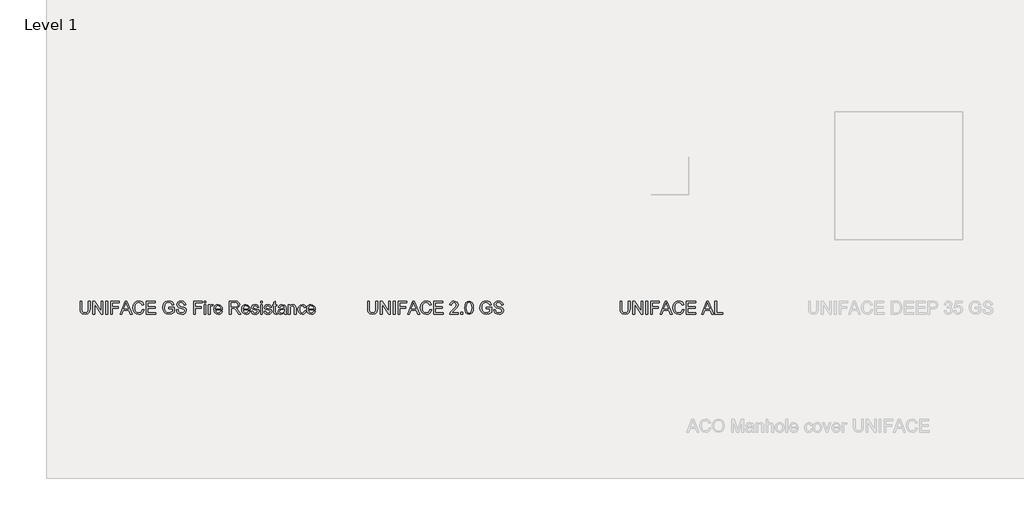
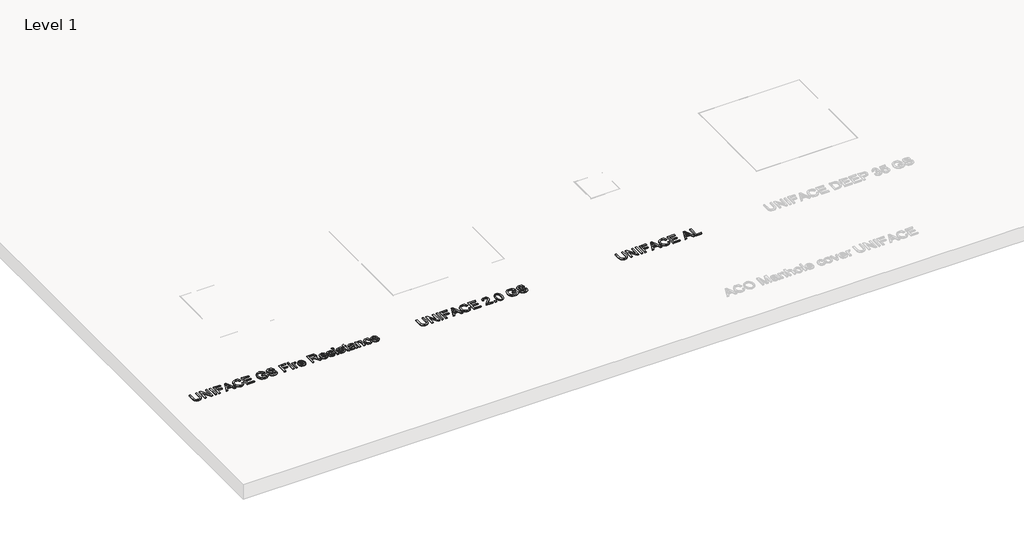
# One storey, part 3 of 9: 3 proxies.
"""IFC4 building model written with IfcOpenShell, lengths in millimetres."""

from ifc_helpers import new_model, si_unit, origin, origin_with_axes, place, context, project, spatial, polyline, outline, extrude, element, save

model = new_model("IFC4")

# Units and contexts
model_context = context("Model", 3, world=origin())
ifc_project = project(units=[si_unit("LENGTHUNIT", "METRE", prefix="MILLI")], contexts=[model_context])

# Site, building, storey
site = spatial("IfcSite", under=ifc_project)
building = spatial("IfcBuilding", under=site)
storey = spatial("IfcBuildingStorey", under=building, Name="Level 1", Elevation=0.0)

# Proxies
placement = place(None, origin())
element("IfcBuildingElementProxy", 1, Name="100mm ACO", ObjectType="100mm ACO", at=placement, inside=storey, context=model_context, shape_type="SweptSolid", body=[
    extrude(outline(polyline([(2099.7357905, -15767.3956492), (2098.8917656, -15781.7586247), (2094.4097023, -15795.3212318), (2082.5933536, -15806.9338503), (2060.7942276, -15811.5759873), (2039.3443533, -15807.4577279), (2027.3970352, -15796.8055515), (2022.5511681, -15783.1992879), (2021.503413, -15767.3956492), (2021.503413, -15709.1288264), (2034.5421426, -15709.1288264), (2034.5421426, -15767.7449008), (2035.8372842, -15783.5048831), (2042.6622443, -15795.2630232), (2049.6982105, -15799.1157058), (2059.7464725, -15800.3999334), (2077.2818176, -15796.3107783), (2084.9216982, -15785.3821109), (2086.6970609, -15767.7449008), (2086.6970609, -15709.1288264), (2099.7357905, -15709.1288264), (2099.7357905, -15767.3956492)])), origin_with_axes(), (0.0, 0.0, 1.0), 10.0),
    extrude(outline(polyline([(2200.3202758, -15809.7133117), (2186.3502084, -15809.7133117), (2135.3885667, -15731.0152653), (2135.3885667, -15809.7133117), (2122.0878983, -15809.7133117), (2122.0878983, -15709.1288264), (2136.08707, -15709.1288264), (2187.0196075, -15787.7686641), (2187.0196075, -15709.1288264), (2200.3202758, -15709.1288264), (2200.3202758, -15809.7133117)])), origin_with_axes(), (0.0, 0.0, 1.0), 10.0),
    extrude(outline(polyline([(2237.5737889, -15809.7133117), (2224.5350593, -15809.7133117), (2224.5350593, -15709.1288264), (2237.5737889, -15709.1288264), (2237.5737889, -15809.7133117)])), origin_with_axes(), (0.0, 0.0, 1.0), 10.0),
    extrude(outline(polyline([(2328.8448959, -15720.3048803), (2274.827302, -15720.3048803), (2274.827302, -15751.9703664), (2321.3941933, -15751.9703664), (2321.3941933, -15763.1464203), (2274.827302, -15763.1464203), (2274.827302, -15809.7133117), (2261.7885724, -15809.7133117), (2261.7885724, -15709.1288264), (2328.8448959, -15709.1288264), (2328.8448959, -15720.3048803)])), origin_with_axes(), (0.0, 0.0, 1.0), 10.0),
    extrude(outline(polyline([(2429.8950502, -15809.7133117), (2416.0122957, -15809.7133117), (2403.9631125, -15779.9105012), (2361.267094, -15779.9105012), (2349.6835798, -15809.7133117), (2335.8299296, -15809.7133117), (2374.9170141, -15709.1288264), (2389.1781245, -15709.1288264), (2429.8950502, -15809.7133117)]), holes=[polyline([(2399.4228406, -15768.7344473), (2384.9143435, -15731.8592902), (2381.9311521, -15720.1302544), (2377.2453586, -15738.8152196), (2365.6327401, -15768.7344473), (2399.4228406, -15768.7344473)])]), origin_with_axes(), (0.0, 0.0, 1.0), 10.0),
    extrude(outline(polyline([(2524.4258396, -15777.6985739), (2518.4776468, -15792.6108932), (2509.3061521, -15803.1793947), (2497.449785, -15809.4768392), (2483.4469752, -15811.5759873), (2462.4191133, -15807.6978384), (2447.9979292, -15796.0633916), (2439.6595452, -15778.9718873), (2436.8800839, -15758.7225656), (2440.1434043, -15737.2108447), (2449.9333656, -15720.9306229), (2464.852961, -15710.6822687), (2483.5051838, -15707.2661507), (2496.8968031, -15709.0888079), (2508.2001884, -15714.5567796), (2516.9205664, -15723.5390964), (2522.5631639, -15735.9047889), (2509.5244344, -15738.9316368), (2499.6144178, -15723.5791148), (2483.0104106, -15718.4422046), (2468.7056437, -15721.1670954), (2458.3299582, -15729.3417676), (2452.0215996, -15742.1003683), (2449.9188134, -15758.5770441), (2452.1452929, -15777.047365), (2458.8247314, -15790.0824565), (2469.0839997, -15797.8205642), (2482.0499685, -15800.3999334), (2492.6803166, -15798.7737302), (2501.1132896, -15793.8951208), (2507.3488874, -15785.7495528), (2511.38711, -15774.3224742), (2524.4258396, -15777.6985739)])), origin_with_axes(), (0.0, 0.0, 1.0), 10.0),
    extrude(outline(polyline([(2615.6969466, -15809.7133117), (2541.1899205, -15809.7133117), (2541.1899205, -15709.1288264), (2613.834271, -15709.1288264), (2613.834271, -15720.3048803), (2554.2286501, -15720.3048803), (2554.2286501, -15751.9703664), (2610.1089197, -15751.9703664), (2610.1089197, -15763.1464203), (2554.2286501, -15763.1464203), (2554.2286501, -15798.5372577), (2615.6969466, -15798.5372577), (2615.6969466, -15809.7133117)])), origin_with_axes(), (0.0, 0.0, 1.0), 10.0),
    extrude(outline(polyline([(2733.0455129, -15809.7133117), (2665.9891893, -15809.7133117), (2671.9846766, -15794.0260901), (2694.1330543, -15772.2851727), (2712.0030988, -15754.8516928), (2718.0058622, -15745.771149), (2720.0067833, -15736.6323966), (2714.5497257, -15723.593667), (2700.7688363, -15718.4422046), (2686.6532473, -15723.5791148), (2682.3603621, -15729.9857004), (2680.8905945, -15738.9316368), (2667.851865, -15737.5346301), (2671.0096823, -15725.3617536), (2678.0965811, -15716.4340074), (2688.3704015, -15710.9551216), (2701.0889837, -15709.1288264), (2714.5242594, -15711.2279745), (2724.619816, -15717.5254189), (2730.9390886, -15726.7915027), (2733.0455129, -15737.7965688), (2731.2847023, -15747.7575179), (2726.0022705, -15757.8494364), (2698.4113874, -15785.5276325), (2682.7532702, -15800.3999334), (2733.0455129, -15800.3999334), (2733.0455129, -15809.7133117)])), origin_with_axes(), (0.0, 0.0, 1.0), 10.0),
    extrude(outline(polyline([(2768.4363503, -15809.7133117), (2753.5349451, -15809.7133117), (2753.5349451, -15794.8119064), (2768.4363503, -15794.8119064), (2768.4363503, -15809.7133117)])), origin_with_axes(), (0.0, 0.0, 1.0), 10.0),
    extrude(outline(polyline([(2818.6994886, -15709.1288264), (2833.3807925, -15712.3339382), (2843.8674382, -15721.9492736), (2850.1594256, -15737.9748327), (2852.2567547, -15760.4106155), (2850.0884838, -15783.0137479), (2843.5836712, -15798.9592702), (2833.0260838, -15808.421808), (2818.6994886, -15811.5759873), (2804.043651, -15808.3781516), (2793.5751955, -15798.7846444), (2787.2941223, -15782.7954656), (2785.2004312, -15760.4106155), (2787.368702, -15737.811121), (2793.8735147, -15721.8183042), (2804.4165499, -15712.3011958), (2818.6994886, -15709.1288264)]), holes=[polyline([(2818.7285929, -15802.2626091), (2827.6199588, -15799.8142092), (2834.0374585, -15792.4690097), (2837.9228835, -15779.5576115), (2839.2180251, -15760.4106155), (2836.9478892, -15736.0503104), (2830.0938249, -15722.8078507), (2818.5830714, -15718.4422046), (2809.7098958, -15720.9342609), (2803.3469666, -15728.4104298), (2799.5161122, -15741.3945888), (2798.2391607, -15760.4106155), (2800.5529532, -15784.6108468), (2807.4070175, -15797.896963), (2818.7285929, -15802.2626091)])]), origin_with_axes(), (0.0, 0.0, 1.0), 10.0),
    extrude(outline(polyline([(2995.6827801, -15796.2962261), (2976.1610661, -15807.756047), (2954.9076458, -15811.5759873), (2934.4072995, -15808.039814), (2918.3089797, -15797.4312941), (2907.8859997, -15780.9582563), (2904.411673, -15759.8285293), (2910.0724608, -15733.168984), (2917.0756847, -15722.2184885), (2926.7637809, -15714.0474542), (2939.0239702, -15708.9614766), (2953.7434736, -15707.2661507), (2968.666707, -15709.1506546), (2980.3157059, -15714.8041662), (2988.6977464, -15724.2194096), (2993.8201044, -15737.3891085), (2980.7813748, -15740.7943125), (2977.001453, -15731.0334555), (2971.0750884, -15724.0447837), (2963.0022812, -15719.8428494), (2952.7830314, -15718.4422046), (2937.4341475, -15721.2653224), (2926.3708727, -15729.7346758), (2919.6805201, -15742.7734054), (2917.4504026, -15759.3046518), (2921.8597051, -15782.0496678), (2934.9420912, -15795.7577964), (2953.8016822, -15800.3999334), (2968.7540199, -15797.5768156), (2982.6440505, -15789.1074622), (2982.6440505, -15768.7344473), (2952.84124, -15768.7344473), (2952.84124, -15757.5583934), (2995.6827801, -15757.5583934), (2995.6827801, -15796.2962261)])), origin_with_axes(), (0.0, 0.0, 1.0), 10.0),
    extrude(outline(polyline([(3073.9151575, -15738.9316368), (3071.8924082, -15729.9857004), (3067.3957928, -15723.5791148), (3060.4253112, -15719.7264322), (3050.9809636, -15718.4422046), (3035.2646377, -15722.4440468), (3030.7243658, -15727.3590367), (3029.2109419, -15734.1003218), (3033.7075573, -15744.2140686), (3051.9996143, -15750.5442553), (3071.9506168, -15756.0595215), (3085.1785244, -15765.0382003), (3089.3040599, -15772.1614794), (3090.6792384, -15781.3657166), (3088.1580778, -15793.2730162), (3080.594596, -15802.9756646), (3068.9783395, -15809.4259066), (3054.2988546, -15811.5759873), (3036.2105277, -15809.1894341), (3023.3318718, -15802.0297746), (3015.4737089, -15791.072003), (3012.446861, -15777.2911136), (3025.4855905, -15776.1851499), (3028.1304445, -15787.1247313), (3034.3769564, -15794.6227284), (3043.2646841, -15798.9556322), (3053.8331857, -15800.3999334), (3071.0629355, -15795.6413792), (3075.9961155, -15790.035162), (3077.6405089, -15782.733619), (3075.9415449, -15775.3629532), (3070.8446532, -15770.3060799), (3047.4302381, -15762.8117208), (3033.1363853, -15758.4460747), (3023.4919455, -15752.5379004), (3018.0021456, -15744.8652774), (3016.1722123, -15735.2062855), (3018.4678145, -15724.1466488), (3025.3546212, -15715.1825222), (3036.1996136, -15709.2452436), (3050.3697731, -15707.2661507), (3065.0165157, -15709.2597957), (3076.4763366, -15715.2407308), (3084.0289043, -15724.8888086), (3086.9538871, -15737.8838818), (3073.9151575, -15738.9316368)])), origin_with_axes(), (0.0, 0.0, 1.0), 10.0),
])
element("IfcBuildingElementProxy", 2, Name="100mm ACO", ObjectType="100mm ACO", at=placement, inside=storey, context=model_context, shape_type="SweptSolid", body=[
    extrude(outline(polyline([(4084.6433876, -15767.3956492), (4083.7993627, -15781.7586247), (4079.3172994, -15795.3212318), (4067.5009507, -15806.9338503), (4045.7018247, -15811.5759873), (4024.2519504, -15807.4577279), (4012.3046323, -15796.8055515), (4007.4587652, -15783.1992879), (4006.4110101, -15767.3956492), (4006.4110101, -15709.1288264), (4019.4497397, -15709.1288264), (4019.4497397, -15767.7449008), (4020.7448814, -15783.5048831), (4027.5698414, -15795.2630232), (4034.6058076, -15799.1157058), (4044.6540696, -15800.3999334), (4062.1894147, -15796.3107783), (4069.8292953, -15785.3821109), (4071.604658, -15767.7449008), (4071.604658, -15709.1288264), (4084.6433876, -15709.1288264), (4084.6433876, -15767.3956492)])), origin_with_axes(), (0.0, 0.0, 1.0), 10.0),
    extrude(outline(polyline([(4185.2278729, -15809.7133117), (4171.2578055, -15809.7133117), (4120.2961638, -15731.0152653), (4120.2961638, -15809.7133117), (4106.9954954, -15809.7133117), (4106.9954954, -15709.1288264), (4120.9946671, -15709.1288264), (4171.9272046, -15787.7686641), (4171.9272046, -15709.1288264), (4185.2278729, -15709.1288264), (4185.2278729, -15809.7133117)])), origin_with_axes(), (0.0, 0.0, 1.0), 10.0),
    extrude(outline(polyline([(4222.481386, -15809.7133117), (4209.4426564, -15809.7133117), (4209.4426564, -15709.1288264), (4222.481386, -15709.1288264), (4222.481386, -15809.7133117)])), origin_with_axes(), (0.0, 0.0, 1.0), 10.0),
    extrude(outline(polyline([(4313.752493, -15720.3048803), (4259.7348991, -15720.3048803), (4259.7348991, -15751.9703664), (4306.3017904, -15751.9703664), (4306.3017904, -15763.1464203), (4259.7348991, -15763.1464203), (4259.7348991, -15809.7133117), (4246.6961695, -15809.7133117), (4246.6961695, -15709.1288264), (4313.752493, -15709.1288264), (4313.752493, -15720.3048803)])), origin_with_axes(), (0.0, 0.0, 1.0), 10.0),
    extrude(outline(polyline([(4414.8026473, -15809.7133117), (4400.9198928, -15809.7133117), (4388.8707096, -15779.9105012), (4346.1746911, -15779.9105012), (4334.5911769, -15809.7133117), (4320.7375267, -15809.7133117), (4359.8246112, -15709.1288264), (4374.0857216, -15709.1288264), (4414.8026473, -15809.7133117)]), holes=[polyline([(4384.3304377, -15768.7344473), (4369.8219406, -15731.8592902), (4366.8387492, -15720.1302544), (4362.1529557, -15738.8152196), (4350.5403372, -15768.7344473), (4384.3304377, -15768.7344473)])]), origin_with_axes(), (0.0, 0.0, 1.0), 10.0),
    extrude(outline(polyline([(4509.3334367, -15777.6985739), (4503.3852439, -15792.6108932), (4494.2137492, -15803.1793947), (4482.3573821, -15809.4768392), (4468.3545723, -15811.5759873), (4447.3267104, -15807.6978384), (4432.9055263, -15796.0633916), (4424.5671423, -15778.9718873), (4421.787681, -15758.7225656), (4425.0510014, -15737.2108447), (4434.8409627, -15720.9306229), (4449.7605581, -15710.6822687), (4468.4127809, -15707.2661507), (4481.8044002, -15709.0888079), (4493.1077855, -15714.5567796), (4501.8281635, -15723.5390964), (4507.4707611, -15735.9047889), (4494.4320315, -15738.9316368), (4484.5220149, -15723.5791148), (4467.9180077, -15718.4422046), (4453.6132408, -15721.1670954), (4443.2375553, -15729.3417676), (4436.9291967, -15742.1003683), (4434.8264105, -15758.5770441), (4437.05289, -15777.047365), (4443.7323285, -15790.0824565), (4453.9915968, -15797.8205642), (4466.9575656, -15800.3999334), (4477.5879137, -15798.7737302), (4486.0208867, -15793.8951208), (4492.2564845, -15785.7495528), (4496.2947071, -15774.3224742), (4509.3334367, -15777.6985739)])), origin_with_axes(), (0.0, 0.0, 1.0), 10.0),
    extrude(outline(polyline([(4600.6045438, -15809.7133117), (4526.0975176, -15809.7133117), (4526.0975176, -15709.1288264), (4598.7418681, -15709.1288264), (4598.7418681, -15720.3048803), (4539.1362472, -15720.3048803), (4539.1362472, -15751.9703664), (4595.0165168, -15751.9703664), (4595.0165168, -15763.1464203), (4539.1362472, -15763.1464203), (4539.1362472, -15798.5372577), (4600.6045438, -15798.5372577), (4600.6045438, -15809.7133117)])), origin_with_axes(), (0.0, 0.0, 1.0), 10.0),
    extrude(outline(polyline([(4740.7708867, -15809.7133117), (4726.8881322, -15809.7133117), (4714.8389491, -15779.9105012), (4672.1429306, -15779.9105012), (4660.5594164, -15809.7133117), (4646.7057662, -15809.7133117), (4685.7928506, -15709.1288264), (4700.0539611, -15709.1288264), (4740.7708867, -15809.7133117)]), holes=[polyline([(4710.2986772, -15768.7344473), (4695.7901801, -15731.8592902), (4692.8069886, -15720.1302544), (4688.1211952, -15738.8152196), (4676.5085767, -15768.7344473), (4710.2986772, -15768.7344473)])]), origin_with_axes(), (0.0, 0.0, 1.0), 10.0),
    extrude(outline(polyline([(4814.812244, -15809.7133117), (4751.4812717, -15809.7133117), (4751.4812717, -15709.1288264), (4764.5200013, -15709.1288264), (4764.5200013, -15798.5372577), (4814.812244, -15798.5372577), (4814.812244, -15809.7133117)])), origin_with_axes(), (0.0, 0.0, 1.0), 10.0),
])
element("IfcBuildingElementProxy", 3, Name="100mm ACO", ObjectType="100mm ACO", at=placement, inside=storey, context=model_context, shape_type="SweptSolid", body=[
    extrude(outline(polyline([(-159.7546973, -15767.3956492), (-160.5987222, -15781.7586247), (-165.0807855, -15795.3212318), (-176.8971342, -15806.9338503), (-198.6962602, -15811.5759873), (-220.1461346, -15807.4577279), (-232.0934526, -15796.8055515), (-236.9393198, -15783.1992879), (-237.9870748, -15767.3956492), (-237.9870748, -15709.1288264), (-224.9483452, -15709.1288264), (-224.9483452, -15767.7449008), (-223.6532036, -15783.5048831), (-216.8282436, -15795.2630232), (-209.7922773, -15799.1157058), (-199.7440153, -15800.3999334), (-182.2086703, -15796.3107783), (-174.5687896, -15785.3821109), (-172.7934269, -15767.7449008), (-172.7934269, -15709.1288264), (-159.7546973, -15709.1288264), (-159.7546973, -15767.3956492)])), origin_with_axes(), (0.0, 0.0, 1.0), 10.0),
    extrude(outline(polyline([(-59.170212, -15809.7133117), (-73.1402794, -15809.7133117), (-124.1019211, -15731.0152653), (-124.1019211, -15809.7133117), (-137.4025895, -15809.7133117), (-137.4025895, -15709.1288264), (-123.4034178, -15709.1288264), (-72.4708804, -15787.7686641), (-72.4708804, -15709.1288264), (-59.170212, -15709.1288264), (-59.170212, -15809.7133117)])), origin_with_axes(), (0.0, 0.0, 1.0), 10.0),
    extrude(outline(polyline([(-21.9166989, -15809.7133117), (-34.9554285, -15809.7133117), (-34.9554285, -15709.1288264), (-21.9166989, -15709.1288264), (-21.9166989, -15809.7133117)])), origin_with_axes(), (0.0, 0.0, 1.0), 10.0),
    extrude(outline(polyline([(69.3544081, -15720.3048803), (15.3368141, -15720.3048803), (15.3368141, -15751.9703664), (61.9037055, -15751.9703664), (61.9037055, -15763.1464203), (15.3368141, -15763.1464203), (15.3368141, -15809.7133117), (2.2980846, -15809.7133117), (2.2980846, -15709.1288264), (69.3544081, -15709.1288264), (69.3544081, -15720.3048803)])), origin_with_axes(), (0.0, 0.0, 1.0), 10.0),
    extrude(outline(polyline([(170.4045623, -15809.7133117), (156.5218079, -15809.7133117), (144.4726247, -15779.9105012), (101.7766062, -15779.9105012), (90.193092, -15809.7133117), (76.3394418, -15809.7133117), (115.4265262, -15709.1288264), (129.6876367, -15709.1288264), (170.4045623, -15809.7133117)]), holes=[polyline([(139.9323528, -15768.7344473), (125.4238557, -15731.8592902), (122.4406643, -15720.1302544), (117.7548708, -15738.8152196), (106.1422523, -15768.7344473), (139.9323528, -15768.7344473)])]), origin_with_axes(), (0.0, 0.0, 1.0), 10.0),
    extrude(outline(polyline([(264.9353518, -15777.6985739), (258.987159, -15792.6108932), (249.8156643, -15803.1793947), (237.9592971, -15809.4768392), (223.9564874, -15811.5759873), (202.9286255, -15807.6978384), (188.5074414, -15796.0633916), (180.1690574, -15778.9718873), (177.389596, -15758.7225656), (180.6529165, -15737.2108447), (190.4428778, -15720.9306229), (205.3624732, -15710.6822687), (224.014696, -15707.2661507), (237.4063153, -15709.0888079), (248.7097006, -15714.5567796), (257.4300786, -15723.5390964), (263.0726761, -15735.9047889), (250.0339466, -15738.9316368), (240.12393, -15723.5791148), (223.5199228, -15718.4422046), (209.2151559, -15721.1670954), (198.8394704, -15729.3417676), (192.5311118, -15742.1003683), (190.4283256, -15758.5770441), (192.6548051, -15777.047365), (199.3342436, -15790.0824565), (209.5935118, -15797.8205642), (222.5594807, -15800.3999334), (233.1898288, -15798.7737302), (241.6228018, -15793.8951208), (247.8583996, -15785.7495528), (251.8966222, -15774.3224742), (264.9353518, -15777.6985739)])), origin_with_axes(), (0.0, 0.0, 1.0), 10.0),
    extrude(outline(polyline([(356.2064588, -15809.7133117), (281.6994327, -15809.7133117), (281.6994327, -15709.1288264), (354.3437832, -15709.1288264), (354.3437832, -15720.3048803), (294.7381623, -15720.3048803), (294.7381623, -15751.9703664), (350.6184319, -15751.9703664), (350.6184319, -15763.1464203), (294.7381623, -15763.1464203), (294.7381623, -15798.5372577), (356.2064588, -15798.5372577), (356.2064588, -15809.7133117)])), origin_with_axes(), (0.0, 0.0, 1.0), 10.0),
    extrude(outline(polyline([(501.4951599, -15796.2962261), (481.9734459, -15807.756047), (460.7200256, -15811.5759873), (440.2196793, -15808.039814), (424.1213594, -15797.4312941), (413.6983795, -15780.9582563), (410.2240528, -15759.8285293), (415.8848405, -15733.168984), (422.8880644, -15722.2184885), (432.5761607, -15714.0474542), (444.83635, -15708.9614766), (459.5558533, -15707.2661507), (474.4790868, -15709.1506546), (486.1280857, -15714.8041662), (494.5101262, -15724.2194096), (499.6324842, -15737.3891085), (486.5937546, -15740.7943125), (482.8138327, -15731.0334555), (476.8874682, -15724.0447837), (468.814661, -15719.8428494), (458.5954112, -15718.4422046), (443.2465272, -15721.2653224), (432.1832525, -15729.7346758), (425.4928999, -15742.7734054), (423.2627824, -15759.3046518), (427.6720849, -15782.0496678), (440.7544709, -15795.7577964), (459.6140619, -15800.3999334), (474.5663997, -15797.5768156), (488.4564303, -15789.1074622), (488.4564303, -15768.7344473), (458.6536198, -15768.7344473), (458.6536198, -15757.5583934), (501.4951599, -15757.5583934), (501.4951599, -15796.2962261)])), origin_with_axes(), (0.0, 0.0, 1.0), 10.0),
    extrude(outline(polyline([(579.7275373, -15738.9316368), (577.704788, -15729.9857004), (573.2081725, -15723.5791148), (566.237691, -15719.7264322), (556.7933433, -15718.4422046), (541.0770175, -15722.4440468), (536.5367456, -15727.3590367), (535.0233216, -15734.1003218), (539.5199371, -15744.2140686), (557.8119941, -15750.5442553), (577.7629966, -15756.0595215), (590.9909042, -15765.0382003), (595.1164397, -15772.1614794), (596.4916182, -15781.3657166), (593.9704576, -15793.2730162), (586.4069758, -15802.9756646), (574.7907192, -15809.4259066), (560.1112343, -15811.5759873), (542.0229075, -15809.1894341), (529.1442516, -15802.0297746), (521.2860887, -15791.072003), (518.2592407, -15777.2911136), (531.2979703, -15776.1851499), (533.9428242, -15787.1247313), (540.1893361, -15794.6227284), (549.0770639, -15798.9556322), (559.6455654, -15800.3999334), (576.8753152, -15795.6413792), (581.8084953, -15790.035162), (583.4528886, -15782.733619), (581.7539247, -15775.3629532), (576.6570329, -15770.3060799), (553.2426179, -15762.8117208), (538.948765, -15758.4460747), (529.3043253, -15752.5379004), (523.8145254, -15744.8652774), (521.984592, -15735.2062855), (524.2801943, -15724.1466488), (531.1670009, -15715.1825222), (542.0119934, -15709.2452436), (556.1821529, -15707.2661507), (570.8288954, -15709.2597957), (582.2887163, -15715.2407308), (589.841284, -15724.8888086), (592.7662669, -15737.8838818), (579.7275373, -15738.9316368)])), origin_with_axes(), (0.0, 0.0, 1.0), 10.0),
    extrude(outline(polyline([(721.290887, -15720.3048803), (667.2732931, -15720.3048803), (667.2732931, -15751.9703664), (713.8401844, -15751.9703664), (713.8401844, -15763.1464203), (667.2732931, -15763.1464203), (667.2732931, -15809.7133117), (654.2345635, -15809.7133117), (654.2345635, -15709.1288264), (721.290887, -15709.1288264), (721.290887, -15720.3048803)])), origin_with_axes(), (0.0, 0.0, 1.0), 10.0),
    extrude(outline(polyline([(751.0936975, -15809.7133117), (738.0549679, -15809.7133117), (738.0549679, -15737.0689612), (751.0936975, -15737.0689612), (751.0936975, -15809.7133117)])), origin_with_axes(), (0.0, 0.0, 1.0), 10.0),
    extrude(outline(polyline([(751.0936975, -15722.1675559), (738.0549679, -15722.1675559), (738.0549679, -15709.1288264), (751.0936975, -15709.1288264), (751.0936975, -15722.1675559)])), origin_with_axes(), (0.0, 0.0, 1.0), 10.0),
    extrude(outline(polyline([(808.8366428, -15738.0585076), (804.7620398, -15746.3823394), (796.2053735, -15744.5196638), (790.377236, -15746.1567811), (786.1643875, -15751.0681329), (782.7591836, -15769.4038463), (782.7591836, -15809.7133117), (769.720454, -15809.7133117), (769.720454, -15737.0689612), (780.896508, -15737.0689612), (780.896508, -15747.8375548), (787.8669895, -15738.3641028), (796.350895, -15735.2062855), (808.8366428, -15738.0585076)])), origin_with_axes(), (0.0, 0.0, 1.0), 10.0),
    extrude(outline(polyline([(879.6183176, -15776.1851499), (825.6007237, -15776.1851499), (827.6853197, -15787.375756), (832.4256837, -15795.5686184), (839.2470056, -15800.5891114), (847.5744755, -15802.2626091), (859.3180634, -15798.5518099), (866.579588, -15787.3612038), (879.6183176, -15788.8746278), (875.2162912, -15798.5518099), (868.2385336, -15805.6969173), (858.9397074, -15810.1062198), (847.5744755, -15811.5759873), (832.9022667, -15809.0548267), (821.8317159, -15801.4913449), (814.8794245, -15789.562217), (812.5619941, -15773.9441183), (814.7957497, -15758.3151053), (821.4970164, -15745.9457748), (832.2583339, -15737.8911578), (846.672242, -15735.2062855), (861.9811075, -15738.6842502), (874.4814074, -15750.5297032), (878.3340901, -15761.127309), (879.6183176, -15776.1851499)]), holes=[polyline([(866.579588, -15766.8717716), (864.4840779, -15756.6561598), (859.7109716, -15749.7584391), (846.3520946, -15744.5196638), (838.4502752, -15746.0767442), (832.0909841, -15750.7479855), (825.6007237, -15766.8717716), (866.579588, -15766.8717716)])]), origin_with_axes(), (0.0, 0.0, 1.0), 10.0),
    extrude(outline(polyline([(1023.5100119, -15809.7133117), (1008.4339808, -15809.7133117), (989.5598377, -15779.6776667), (981.7453312, -15770.4952579), (973.9744812, -15765.954986), (964.3409556, -15765.009096), (948.5373168, -15765.009096), (948.5373168, -15809.7133117), (935.4985872, -15809.7133117), (935.4985872, -15709.1288264), (979.8826556, -15709.1288264), (995.1478646, -15710.2784465), (1005.9455626, -15715.1097615), (1013.09067, -15724.3940354), (1015.5936404, -15736.1958319), (1013.7673451, -15746.3059406), (1008.2884593, -15754.2259502), (999.3679892, -15759.803063), (987.216941, -15762.8844816), (996.9305034, -15770.415221), (1006.0474276, -15782.1515329), (1023.5100119, -15809.7133117)]), holes=[polyline([(948.5373168, -15753.833042), (977.4669981, -15753.833042), (991.3352004, -15752.3487224), (999.4989586, -15746.5715174), (1002.5549108, -15736.9234396), (997.4762092, -15725.1507474), (990.7494762, -15721.5163471), (980.7266805, -15720.3048803), (948.5373168, -15720.3048803), (948.5373168, -15753.833042)])]), origin_with_axes(), (0.0, 0.0, 1.0), 10.0),
    extrude(outline(polyline([(1097.5513692, -15776.1851499), (1043.5337752, -15776.1851499), (1045.6183712, -15787.375756), (1050.3587352, -15795.5686184), (1057.1800572, -15800.5891114), (1065.507527, -15802.2626091), (1077.251115, -15798.5518099), (1084.5126396, -15787.3612038), (1097.5513692, -15788.8746278), (1093.1493427, -15798.5518099), (1086.1715851, -15805.6969173), (1076.872759, -15810.1062198), (1065.507527, -15811.5759873), (1050.8353182, -15809.0548267), (1039.7647674, -15801.4913449), (1032.8124761, -15789.562217), (1030.4950456, -15773.9441183), (1032.7288012, -15758.3151053), (1039.4300679, -15745.9457748), (1050.1913854, -15737.8911578), (1064.6052935, -15735.2062855), (1079.9141591, -15738.6842502), (1092.414459, -15750.5297032), (1096.2671416, -15761.127309), (1097.5513692, -15776.1851499)]), holes=[polyline([(1084.5126396, -15766.8717716), (1082.4171295, -15756.6561598), (1077.6440231, -15749.7584391), (1064.2851461, -15744.5196638), (1056.3833268, -15746.0767442), (1050.0240357, -15750.7479855), (1043.5337752, -15766.8717716), (1084.5126396, -15766.8717716)])]), origin_with_axes(), (0.0, 0.0, 1.0), 10.0),
    extrude(outline(polyline([(1153.4316388, -15757.5583934), (1148.614876, -15747.7793462), (1137.4824785, -15744.5196638), (1126.1026944, -15747.3136773), (1121.7661527, -15755.4337789), (1124.6329269, -15762.6225428), (1138.1518775, -15766.5225199), (1155.9782656, -15770.7135402), (1165.0733616, -15777.0728313), (1168.333044, -15788.4671675), (1166.3102947, -15797.4494843), (1160.2420466, -15804.8965488), (1150.7904229, -15809.9061277), (1138.6175465, -15811.5759873), (1126.0699521, -15810.1717045), (1116.6001381, -15805.9588561), (1110.2008286, -15798.944718), (1106.8647474, -15789.1365666), (1119.903477, -15787.3612038), (1125.5351604, -15798.5518099), (1138.6175465, -15802.2626091), (1150.986877, -15798.4062884), (1155.2943144, -15789.0201493), (1153.358878, -15783.0101099), (1148.527563, -15779.6194581), (1134.8630908, -15776.7090274), (1121.609717, -15773.4638972), (1113.8061247, -15768.8508645), (1108.7274231, -15756.1904909), (1110.6082889, -15747.855745), (1116.2508865, -15741.129012), (1125.0731295, -15736.6869671), (1136.492932, -15735.2062855), (1148.4948207, -15736.5014272), (1157.4916896, -15740.3868522), (1163.4835388, -15746.8552844), (1166.4703684, -15755.8994479), (1153.4316388, -15757.5583934)])), origin_with_axes(), (0.0, 0.0, 1.0), 10.0),
    extrude(outline(polyline([(1194.4105032, -15809.7133117), (1181.3717736, -15809.7133117), (1181.3717736, -15737.0689612), (1194.4105032, -15737.0689612), (1194.4105032, -15809.7133117)])), origin_with_axes(), (0.0, 0.0, 1.0), 10.0),
    extrude(outline(polyline([(1194.4105032, -15722.1675559), (1181.3717736, -15722.1675559), (1181.3717736, -15709.1288264), (1194.4105032, -15709.1288264), (1194.4105032, -15722.1675559)])), origin_with_axes(), (0.0, 0.0, 1.0), 10.0),
    extrude(outline(polyline([(1254.0161241, -15757.5583934), (1249.1993613, -15747.7793462), (1238.0669638, -15744.5196638), (1226.6871797, -15747.3136773), (1222.350638, -15755.4337789), (1225.2174122, -15762.6225428), (1238.7363629, -15766.5225199), (1256.562751, -15770.7135402), (1265.6578469, -15777.0728313), (1268.9175293, -15788.4671675), (1266.89478, -15797.4494843), (1260.826532, -15804.8965488), (1251.3749082, -15809.9061277), (1239.2020318, -15811.5759873), (1226.6544374, -15810.1717045), (1217.1846235, -15805.9588561), (1210.7853139, -15798.944718), (1207.4492327, -15789.1365666), (1220.4879623, -15787.3612038), (1226.1196457, -15798.5518099), (1239.2020318, -15802.2626091), (1251.5713623, -15798.4062884), (1255.8787997, -15789.0201493), (1253.9433633, -15783.0101099), (1249.1120483, -15779.6194581), (1235.4475762, -15776.7090274), (1222.1942023, -15773.4638972), (1214.39061, -15768.8508645), (1209.3119084, -15756.1904909), (1211.1927742, -15747.855745), (1216.8353718, -15741.129012), (1225.6576149, -15736.6869671), (1237.0774174, -15735.2062855), (1249.079306, -15736.5014272), (1258.0761749, -15740.3868522), (1264.0680242, -15746.8552844), (1267.0548537, -15755.8994479), (1254.0161241, -15757.5583934)])), origin_with_axes(), (0.0, 0.0, 1.0), 10.0),
    extrude(outline(polyline([(1309.8963937, -15810.7319624), (1300.7576413, -15811.5759873), (1289.1013663, -15808.6801088), (1284.6338552, -15801.3312712), (1283.8189346, -15788.9328364), (1283.8189346, -15746.3823394), (1274.5055563, -15746.3823394), (1274.5055563, -15737.0689612), (1283.8189346, -15737.0689612), (1283.8189346, -15718.6168305), (1296.8576641, -15710.991502), (1296.8576641, -15737.0689612), (1308.0337181, -15737.0689612), (1308.0337181, -15746.3823394), (1296.8576641, -15746.3823394), (1296.8576641, -15791.552224), (1297.9054192, -15799.8178473), (1303.2315074, -15802.2626091), (1308.2956568, -15802.2626091), (1309.8963937, -15810.7319624)])), origin_with_axes(), (0.0, 0.0, 1.0), 10.0),
    extrude(outline(polyline([(1384.4034199, -15809.7133117), (1371.3646903, -15809.7133117), (1367.639339, -15800.9238109), (1355.0735544, -15808.9129432), (1341.5327755, -15811.5759873), (1331.4881515, -15810.120772), (1323.8228047, -15805.7551259), (1318.9660234, -15799.0029267), (1317.3470963, -15790.3880518), (1318.9332811, -15782.0314776), (1323.6918353, -15775.2974685), (1332.3721949, -15770.3752026), (1345.7237957, -15767.4538578), (1357.1326841, -15765.7075993), (1367.639339, -15763.1464203), (1367.3046395, -15755.0699751), (1365.3546509, -15750.1658994), (1360.1595321, -15746.0767442), (1350.5260064, -15744.5196638), (1338.3749582, -15747.6774811), (1332.2485016, -15759.421069), (1319.209772, -15757.8203321), (1322.7859637, -15747.953972), (1329.4981445, -15740.8816254), (1339.3390384, -15736.6251205), (1352.3013692, -15735.2062855), (1371.6702855, -15739.0917105), (1379.2665097, -15748.4632974), (1380.6780686, -15762.5934385), (1380.6780686, -15779.2119978), (1381.2310504, -15799.5850128), (1384.4034199, -15809.7133117)]), holes=[polyline([(1367.639339, -15777.1164877), (1367.639339, -15772.4597986), (1344.2249239, -15777.8149911), (1333.8456004, -15781.8968702), (1330.3858259, -15790.1843216), (1334.1111772, -15798.8574051), (1344.8506665, -15802.2626091), (1360.7561704, -15796.5581649), (1365.9185468, -15788.8455235), (1367.639339, -15777.1164877)])]), origin_with_axes(), (0.0, 0.0, 1.0), 10.0),
    extrude(outline(polyline([(1458.910446, -15809.7133117), (1445.8717165, -15809.7133117), (1445.8717165, -15764.4852184), (1441.9862915, -15748.7979969), (1431.1740414, -15744.5196638), (1421.089399, -15747.2554686), (1414.3371997, -15754.96811), (1412.3435547, -15769.0545947), (1412.3435547, -15809.7133117), (1399.3048251, -15809.7133117), (1399.3048251, -15737.0689612), (1410.480879, -15737.0689612), (1410.480879, -15747.1681557), (1420.4345521, -15738.189477), (1433.7643247, -15735.2062855), (1445.2023174, -15737.2726913), (1454.0500268, -15743.4573566), (1458.0809733, -15752.2468573), (1458.910446, -15764.8635744), (1458.910446, -15809.7133117)])), origin_with_axes(), (0.0, 0.0, 1.0), 10.0),
    extrude(outline(polyline([(1539.0054992, -15785.1201722), (1534.9527244, -15796.9947295), (1527.7421323, -15805.2021441), (1518.3632694, -15809.9825265), (1507.805682, -15811.5759873), (1493.406326, -15808.9711518), (1482.6886649, -15801.1566454), (1476.0310547, -15789.0419776), (1473.8118513, -15773.536658), (1478.8760007, -15750.7188812), (1491.5509264, -15738.6842502), (1507.5437432, -15735.2062855), (1518.1559012, -15736.6287585), (1527.1163897, -15740.8961775), (1533.6903251, -15747.9212297), (1537.1428235, -15757.616602), (1524.1040939, -15759.421069), (1518.1668153, -15748.2595672), (1507.6892647, -15744.5196638), (1498.6814817, -15746.4150818), (1492.1475647, -15752.1013358), (1488.1748268, -15761.1855176), (1486.8505809, -15773.2747192), (1488.1784649, -15785.574927), (1492.1621169, -15794.7100414), (1498.6487393, -15800.3744671), (1507.4855346, -15802.2626091), (1520.1604603, -15797.6059199), (1525.9667696, -15783.6358525), (1539.0054992, -15785.1201722)])), origin_with_axes(), (0.0, 0.0, 1.0), 10.0),
    extrude(outline(polyline([(1609.787174, -15776.1851499), (1555.7695801, -15776.1851499), (1557.854176, -15787.375756), (1562.5945401, -15795.5686184), (1569.415862, -15800.5891114), (1577.7433319, -15802.2626091), (1589.4869198, -15798.5518099), (1596.7484444, -15787.3612038), (1609.787174, -15788.8746278), (1605.3851476, -15798.5518099), (1598.4073899, -15805.6969173), (1589.1085638, -15810.1062198), (1577.7433319, -15811.5759873), (1563.0711231, -15809.0548267), (1552.0005723, -15801.4913449), (1545.0482809, -15789.562217), (1542.7308505, -15773.9441183), (1544.964606, -15758.3151053), (1551.6658728, -15745.9457748), (1562.4271903, -15737.8911578), (1576.8410984, -15735.2062855), (1592.1499639, -15738.6842502), (1604.6502638, -15750.5297032), (1608.5029465, -15761.127309), (1609.787174, -15776.1851499)]), holes=[polyline([(1596.7484444, -15766.8717716), (1594.6529343, -15756.6561598), (1589.879828, -15749.7584391), (1576.520951, -15744.5196638), (1568.6191316, -15746.0767442), (1562.2598405, -15750.7479855), (1555.7695801, -15766.8717716), (1596.7484444, -15766.8717716)])]), origin_with_axes(), (0.0, 0.0, 1.0), 10.0),
])

save(model, "model.ifc")
